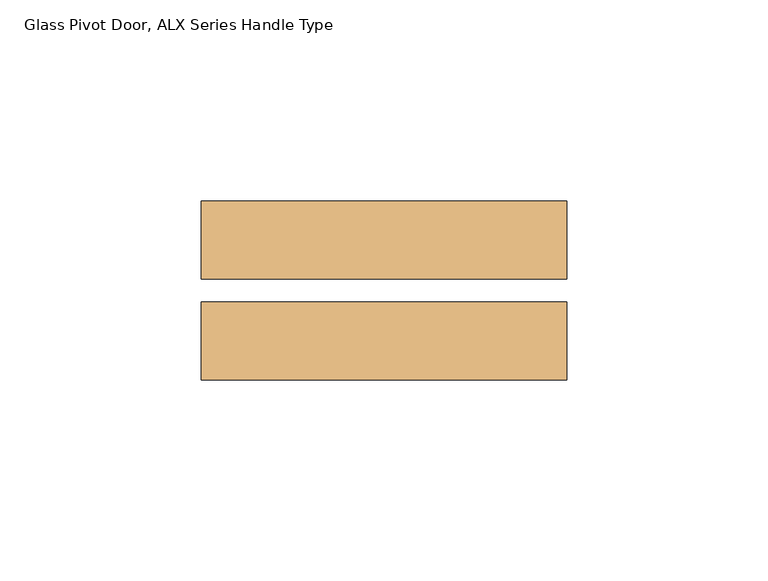
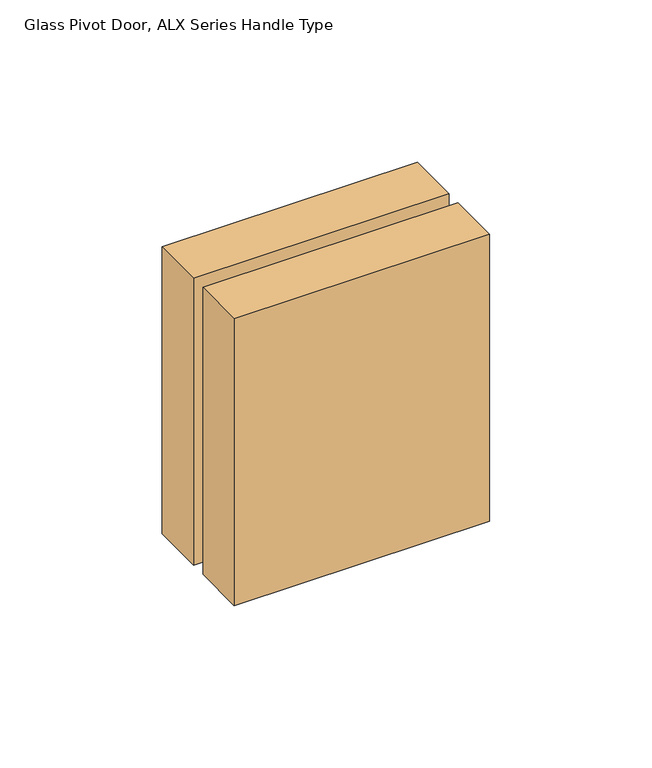
"""IFC4 building model written with IfcOpenShell, lengths in millimetres: door geometry, Glass Pivot Door, ALX Series Handle Type."""

from ifc_helpers import new_model, si_unit, frame, origin, place, context, project, spatial, polyline, outline, extrude, source, transform, mapped, element, save


def glass_pivot_door_alx_series_handle_type_8593b5c3(model_context):
    return source(origin(), model_context, "Body", "SweptSolid", [
        extrude(outline(polyline([(-339.725, -49.2748545), (-430.53, -49.2748545), (-430.53, -29.9073545), (-339.725, -29.9073545), (-339.725, -49.2748545)])), frame((0.0, 0.0, 954.1764), z_axis=(0.0, 0.0, 1.0), x_axis=(1.0, 0.0, 0.0)), (0.0, 0.0, 1.0), 107.95),
        extrude(outline(polyline([(-339.725, -24.1923545), (-430.53, -24.1923545), (-430.53, -4.8248545), (-339.725, -4.8248545), (-339.725, -24.1923545)])), frame((0.0, 0.0, 954.1764), z_axis=(0.0, 0.0, 1.0), x_axis=(1.0, 0.0, 0.0)), (0.0, 0.0, 1.0), 107.95),
    ])


if __name__ == "__main__":
    model = new_model("IFC4")
    model_context = context("Model", 3, world=origin())
    ifc_project = project(units=[si_unit("LENGTHUNIT", "METRE", prefix="MILLI")], contexts=[model_context])
    site = spatial("IfcSite", under=ifc_project)
    building = spatial("IfcBuilding", under=site)
    placement = place(None, origin())
    glass_pivot_door_alx_series_handle_type_shape = glass_pivot_door_alx_series_handle_type_8593b5c3(model_context)
    element("IfcDoor", 1, ObjectType="Glass Pivot Door, ALX Series Handle Type", at=placement, inside=building, context=model_context, shape_type="MappedRepresentation", body=[
        mapped(glass_pivot_door_alx_series_handle_type_shape, transform((0.0, 0.0, 0.0), x_axis=(1.0, 0.0, 0.0), y_axis=(0.0, 1.0, 0.0), z_axis=(0.0, 0.0, 1.0))),
    ])
    save(model, "model.ifc")
